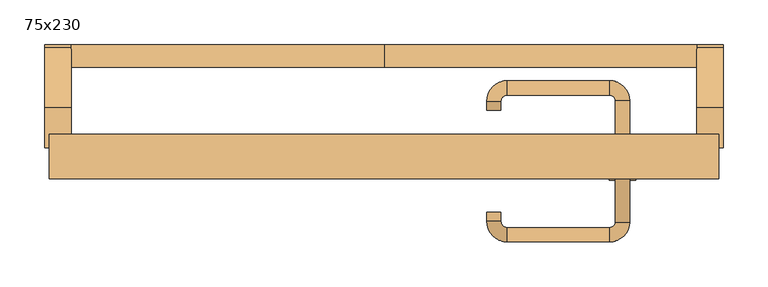
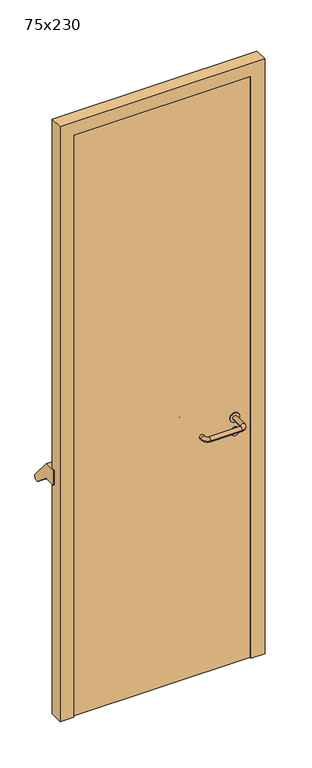
"""IFC4 building model written with IfcOpenShell, lengths in millimetres: door geometry, 75x230."""

import ifcopenshell
import ifcopenshell.guid

model = None  # the IFC model being written
_history = None  # IfcOwnerHistory: only IFC2X3 demands one
_inside = {}  # id of a spatial element -> (the spatial element, [elements in it])
_under = {}  # id of a project, library or spatial element -> (it, [spatial elements below it])
_declared = {}  # id of a project -> (the project, [libraries it declares])
_typed = {}  # id of a type object -> (the type object, [elements of that type])
_made_of = {}  # id of a material, layer set ... -> (it, [elements and type objects made of it])


def new_model(schema):
    """Start an empty IFC model of exactly this schema.

    Asked for "IFC4X3", IfcOpenShell would pick the latest addendum, in which some entities
    have other attributes; the version numbers below select the first issue.
    IFC2X3 requires an IfcOwnerHistory on every rooted entity: one is made here for all.
    """
    global model, _history
    if schema == "IFC4X3":
        model = ifcopenshell.file(schema_version=(4, 3, 0, 0))
    else:
        model = ifcopenshell.file(schema=schema)
    _inside.clear()
    _under.clear()
    _declared.clear()
    _typed.clear()
    _made_of.clear()
    _history = None
    if model.schema == "IFC2X3":
        org = make("IfcOrganization", Name="unknown")
        user = make(
            "IfcPersonAndOrganization",
            ThePerson=make("IfcPerson", FamilyName="unknown"),
            TheOrganization=org,
        )
        app = make(
            "IfcApplication",
            ApplicationDeveloper=org,
            Version="unknown",
            ApplicationFullName="unknown",
            ApplicationIdentifier="unknown",
        )
        _history = make(
            "IfcOwnerHistory",
            OwningUser=user,
            OwningApplication=app,
            ChangeAction="ADDED",
            CreationDate=0,
        )
    return model


def make(cls, **values):
    """One entity of the class cls with the attributes given. An attribute that is None is left unset."""
    return model.create_entity(
        cls, **{name: value for name, value in values.items() if value is not None}
    )


def rooted(cls, **values):
    """An entity with a GlobalId (a new one), such as an element, a storey or a relation."""
    return make(cls, GlobalId=ifcopenshell.guid.new(), OwnerHistory=_history, **values)


def si_unit(unit_type, name, prefix=None):
    """IfcSIUnit, for example si_unit("LENGTHUNIT", "METRE", prefix="MILLI")."""
    return make("IfcSIUnit", UnitType=unit_type, Prefix=prefix, Name=name)


def assignment(units):
    """IfcUnitAssignment: the units of a project."""
    return None if units is None else make("IfcUnitAssignment", Units=units)


def point(xyz):
    """IfcCartesianPoint."""
    return None if xyz is None else make("IfcCartesianPoint", Coordinates=xyz)


def direction(xyz):
    """IfcDirection."""
    return None if xyz is None else make("IfcDirection", DirectionRatios=xyz)


def frame(location, z_axis=None, x_axis=None):
    """IfcAxis2Placement3D, a coordinate frame: its origin and axes. An axis left out is left unset."""
    return make(
        "IfcAxis2Placement3D",
        Location=point(location),
        Axis=direction(z_axis),
        RefDirection=direction(x_axis),
    )


def frame_2d(location, x_axis=None):
    """IfcAxis2Placement2D, a coordinate frame in the plane: its origin and x axis."""
    return make(
        "IfcAxis2Placement2D", Location=point(location), RefDirection=direction(x_axis)
    )


def origin():
    """The frame at (0, 0, 0) with its axes left unset."""
    return frame((0.0, 0.0, 0.0))


def origin_with_axes():
    """The frame at (0, 0, 0) with the z axis (0, 0, 1) and the x axis (1, 0, 0) written out."""
    return frame((0.0, 0.0, 0.0), z_axis=(0.0, 0.0, 1.0), x_axis=(1.0, 0.0, 0.0))


def place(relative_to, where):
    """IfcLocalPlacement: puts the frame where relative to a parent placement (None: the world)."""
    return make(
        "IfcLocalPlacement", PlacementRelTo=relative_to, RelativePlacement=where
    )


def context(
    kind, dimensions, precision=None, world=None, true_north=None, identifier=None
):
    """IfcGeometricRepresentationContext, for example the 3D "Model" context."""
    return make(
        "IfcGeometricRepresentationContext",
        ContextIdentifier=identifier,
        ContextType=kind,
        CoordinateSpaceDimension=dimensions,
        Precision=precision,
        WorldCoordinateSystem=world,
        TrueNorth=true_north,
    )


def project(units=None, contexts=None):
    """IfcProject with its units and contexts."""
    return rooted(
        "IfcProject",
        Name="project",
        RepresentationContexts=contexts,
        UnitsInContext=assignment(units),
    )


def spatial(cls, under=None, at=None, **own):
    """A site, building, storey or space (cls), placed at a placement, below another one or the project."""
    s = rooted(cls, ObjectPlacement=at, **own)
    if under is not None:
        _under.setdefault(under.id(), (under, []))[1].append(s)
    return s


def polyline(points):
    """IfcPolyline through the points."""
    return make("IfcPolyline", Points=[point(p) for p in points])


def circle_curve(where, radius):
    """IfcCircle in the frame where."""
    return make("IfcCircle", Position=where, Radius=radius)


def ellipse_curve(where, semi_axis1, semi_axis2):
    """IfcEllipse in the frame where."""
    return make(
        "IfcEllipse", Position=where, SemiAxis1=semi_axis1, SemiAxis2=semi_axis2
    )


def trimmed(basis, trim1, trim2, sense, master):
    """IfcTrimmedCurve: the piece of a basis curve between two trims."""
    return make(
        "IfcTrimmedCurve",
        BasisCurve=basis,
        Trim1=trim1,
        Trim2=trim2,
        SenseAgreement=sense,
        MasterRepresentation=master,
    )


def segment(curve, same_sense, transition):
    """IfcCompositeCurveSegment."""
    return make(
        "IfcCompositeCurveSegment",
        Transition=transition,
        SameSense=same_sense,
        ParentCurve=curve,
    )


def composite_curve(segments, self_intersect=None):
    """IfcCompositeCurve: segments joined end to end."""
    return make("IfcCompositeCurve", Segments=segments, SelfIntersect=self_intersect)


def outline(outer, holes=None, kind="AREA"):
    """IfcArbitraryClosedProfileDef: a profile drawn as a closed curve; with holes, ...WithVoids."""
    if holes is None:
        return make("IfcArbitraryClosedProfileDef", ProfileType=kind, OuterCurve=outer)
    return make(
        "IfcArbitraryProfileDefWithVoids",
        ProfileType=kind,
        OuterCurve=outer,
        InnerCurves=holes,
    )


def extrude(swept, where, along, depth):
    """IfcExtrudedAreaSolid: the profile swept, set in the frame where, extruded along a direction by depth."""
    return make(
        "IfcExtrudedAreaSolid",
        SweptArea=swept,
        Position=where,
        ExtrudedDirection=direction(along),
        Depth=depth,
    )


def shape(context_of_items, identifier, shape_type, items):
    """IfcShapeRepresentation: the items that make up one representation, for example the "Body"."""
    return make(
        "IfcShapeRepresentation",
        ContextOfItems=context_of_items,
        RepresentationIdentifier=identifier,
        RepresentationType=shape_type,
        Items=items,
    )


def source(mapping_origin, context_of_items, identifier, shape_type, items):
    """IfcRepresentationMap: a shape defined once, which mapped items show again and again."""
    return make(
        "IfcRepresentationMap",
        MappingOrigin=mapping_origin,
        MappedRepresentation=shape(context_of_items, identifier, shape_type, items),
    )


def transform(
    local_origin,
    x_axis=None,
    y_axis=None,
    z_axis=None,
    scale=None,
    scale2=None,
    scale3=None,
    uniform=True,
):
    """IfcCartesianTransformationOperator3D, or its non-uniform kind. x_axis, y_axis, z_axis: its Axis1, 2, 3."""
    if uniform:
        return make(
            "IfcCartesianTransformationOperator3D",
            Axis1=direction(x_axis),
            Axis2=direction(y_axis),
            LocalOrigin=point(local_origin),
            Scale=scale,
            Axis3=direction(z_axis),
        )
    return make(
        "IfcCartesianTransformationOperator3DnonUniform",
        Axis1=direction(x_axis),
        Axis2=direction(y_axis),
        LocalOrigin=point(local_origin),
        Scale=scale,
        Axis3=direction(z_axis),
        Scale2=scale2,
        Scale3=scale3,
    )


def mapped(mapping_source, mapping_target):
    """IfcMappedItem: shows the shape of a source again, moved by a transform."""
    return make(
        "IfcMappedItem", MappingSource=mapping_source, MappingTarget=mapping_target
    )


def made_of(thing, what):
    """Note that an element or type object is made of a material, layer set ...; save() writes the relation."""
    if what is not None:
        _made_of.setdefault(what.id(), (what, []))[1].append(thing)
    return thing


def element(
    cls,
    number,
    at=None,
    inside=None,
    cuts=None,
    type_object=None,
    material=None,
    context=None,
    identifier="Body",
    shape_type=None,
    held_by="IfcProductDefinitionShape",
    body=None,
    shapes=None,
    **own,
):
    """One element of the class cls, such as IfcWall. Its Tag is "e" and its number.

    at: its placement. inside: the storey or other place that contains it. cuts: it is an
    opening in that element (IfcRelVoidsElement). A single representation is given by context,
    identifier, shape_type and body (its items); several are given by shapes. held_by: the class
    of the entity that holds the representations. save() writes the other relations.
    """
    e = rooted(cls, Tag="e%d" % number, ObjectPlacement=at, **own)
    if body is not None:
        shapes = [shape(context, identifier, shape_type, body)]
    if shapes is not None:
        e.Representation = make(held_by, Representations=shapes)
    if inside is not None:
        _inside.setdefault(inside.id(), (inside, []))[1].append(e)
    if cuts is not None:
        rooted(
            "IfcRelVoidsElement", RelatingBuildingElement=cuts, RelatedOpeningElement=e
        )
    if type_object is not None:
        _typed.setdefault(type_object.id(), (type_object, []))[1].append(e)
    return made_of(e, material)


def aggregate(whole, parts):
    """IfcRelAggregates: a whole, such as a stair, and the parts it consists of."""
    return rooted("IfcRelAggregates", RelatingObject=whole, RelatedObjects=parts)


def save(model, path):
    """Write the relations noted so far, then the file.

    IfcRelAggregates (storeys below a building ...), IfcRelContainedInSpatialStructure (elements
    in a storey), IfcRelDefinesByType, IfcRelAssociatesMaterial and IfcRelDeclares: one each for
    every whole, place, type object, material and project.
    """
    for whole, parts in _under.values():
        aggregate(whole, parts)
    for where, things in _inside.values():
        rooted(
            "IfcRelContainedInSpatialStructure",
            RelatedElements=things,
            RelatingStructure=where,
        )
    for kind, things in _typed.values():
        rooted("IfcRelDefinesByType", RelatedObjects=things, RelatingType=kind)
    for what, things in _made_of.values():
        rooted("IfcRelAssociatesMaterial", RelatedObjects=things, RelatingMaterial=what)
    for by, libraries in _declared.values():
        rooted("IfcRelDeclares", RelatingContext=by, RelatedDefinitions=libraries)
    model.write(path)


def plane_surface(at):
    """IfcPlane: the flat surface through the origin of the frame at, square to its z axis."""
    return make("IfcPlane", Position=at)


def cylinder_surface(at, radius):
    """IfcCylindricalSurface: all points at the distance radius from the z axis of the frame at."""
    return make("IfcCylindricalSurface", Position=at, Radius=radius)


def revolved_surface(curve, axis_point, axis_direction):
    """IfcSurfaceOfRevolution: the curve turned about the line through axis_point along axis_direction."""
    return make(
        "IfcSurfaceOfRevolution",
        SweptCurve=make("IfcArbitraryOpenProfileDef", ProfileType="CURVE", Curve=curve),
        AxisPosition=make("IfcAxis1Placement", Location=point(axis_point), Axis=direction(axis_direction)),
    )


def advanced_brep(points, edges, surfaces, faces):
    """IfcAdvancedBrep: a solid bounded by faces that lie on surfaces and meet in shared edges.

    An edge is (start, end): straight between two places in points (the first is 0);
    or (start, end, curve); or (start, end, curve, False) where it runs against its curve.
    A face is (place in surfaces, loops), or (place, loops, False) where it looks against
    its surface's normal. A loop lists edges by number (the first is 1), with a minus sign
    where the edge is run from its end to its start. The first loop is the outer one.
    """
    corners = [point(p) for p in points]
    vertices = [make("IfcVertexPoint", VertexGeometry=c) for c in corners]
    made = []
    for start, end, *more in edges:
        made.append(
            make(
                "IfcEdgeCurve",
                EdgeStart=vertices[start],
                EdgeEnd=vertices[end],
                EdgeGeometry=more[0] if more else make("IfcPolyline", Points=[corners[start], corners[end]]),
                SameSense=more[1] if len(more) > 1 else True,
            )
        )
    hull = []
    for where, loops, *sense in faces:
        bounds = []
        for j, loop in enumerate(loops):
            ring = [make("IfcOrientedEdge", EdgeElement=made[abs(k) - 1], Orientation=k > 0) for k in loop]
            bounds.append(
                make(
                    "IfcFaceOuterBound" if j == 0 else "IfcFaceBound",
                    Bound=make("IfcEdgeLoop", EdgeList=ring),
                    Orientation=True,
                )
            )
        hull.append(make("IfcAdvancedFace", Bounds=bounds, FaceSurface=surfaces[where], SameSense=sense[0] if sense else True))
    return make("IfcAdvancedBrep", Outer=make("IfcClosedShell", CfsFaces=hull))


def door_75x230_7e1fac81(model_context):
    return source(origin(), model_context, "Body", "SolidModel", [
        advanced_brep(
        [(-350.0, 75.4171435, 861.5304884), (-350.0, 100.4171435, 861.5304884), (0.0, 100.4171435, 861.5304884), (0.0, 75.4171435, 861.5304884), (350.0, 75.4171435, 861.5304884), (350.0, 100.4171435, 861.5304884)],
        [
            (0, 1, circle_curve(frame((-350.0, 87.9171435, 861.5304884), z_axis=(-1.0, 0.0, 0.0), x_axis=(0.0, 1.0, 0.0)), 12.5)),
            (1, 0, circle_curve(frame((-350.0, 87.9171435, 861.5304884), z_axis=(-1.0, 0.0, 0.0), x_axis=(0.0, 1.0, 0.0)), 12.5)),
            (1, 2),
            (2, 3, circle_curve(frame((0.0, 87.9171435, 861.5304884), z_axis=(-1.0, 0.0, 0.0), x_axis=(0.0, 1.0, 0.0)), 12.5)),
            (3, 0),
            (3, 2, circle_curve(frame((0.0, 87.9171435, 861.5304884), z_axis=(-1.0, 0.0, 0.0), x_axis=(0.0, 1.0, 0.0)), 12.5)),
            (4, 5, circle_curve(frame((350.0, 87.9171435, 861.5304884), z_axis=(1.0, 0.0, 0.0), x_axis=(0.0, 1.0, 0.0)), 12.5)),
            (5, 4, circle_curve(frame((350.0, 87.9171435, 861.5304884), z_axis=(1.0, 0.0, 0.0), x_axis=(0.0, 1.0, 0.0)), 12.5)),
            (4, 3),
            (2, 5),
        ],
        [
            plane_surface(frame((-350.0, 100.4171435, 861.5304884), z_axis=(-1.0, 0.0, 0.0), x_axis=(0.0, 0.0, -1.0))),
            cylinder_surface(frame((-350.0, 87.9171435, 861.5304884), z_axis=(1.0, 0.0, 0.0), x_axis=(0.0, 1.0, 0.0)), 12.5),
            plane_surface(frame((350.0, 100.4171435, 861.5304884), z_axis=(1.0, 0.0, 0.0), x_axis=(0.0, 0.0, 1.0))),
            cylinder_surface(frame((0.0, 87.9171435, 861.5304884), z_axis=(1.0, 0.0, 0.0), x_axis=(0.0, 1.0, 0.0)), 12.5),
        ],
        [
            (0, [[1, 2]]),
            (1, [[-2, 3, 4, 5]]),
            (1, [[-1, -5, 6, -3]]),
            (2, [[7, 8]]),
            (3, [[-7, 9, -4, 10]]),
            (3, [[-8, -10, -6, -9]]),
        ],
    ),
        extrude(outline(composite_curve([segment(polyline([(30.0, 950.0), (97.492699, 869.5653335)]), True, "CONTINUOUS"), segment(trimmed(circle_curve(frame_2d((87.9171435, 861.5304884)), 12.5), [point((97.492699, 869.5653335))], [point((78.3415879, 853.4956432))], False, "CARTESIAN"), True, "CONTINUOUS"), segment(polyline([(78.3415879, 853.4956432), (28.5486991, 895.2768379), (-15.0, 895.2768379), (-15.0, 950.0), (30.0, 950.0)]), True, "CONTINUOUS")], self_intersect=False)), frame((-380.0, 0.0, 0.0), z_axis=(1.0, 0.0, 0.0), x_axis=(0.0, 1.0, 0.0)), (0.0, 0.0, 1.0), 30.0),
        extrude(outline(composite_curve([segment(polyline([(30.0, 950.0), (97.492699, 869.5653335)]), True, "CONTINUOUS"), segment(trimmed(circle_curve(frame_2d((87.9171435, 861.5304884)), 12.5), [point((97.492699, 869.5653335))], [point((78.3415879, 853.4956432))], False, "CARTESIAN"), True, "CONTINUOUS"), segment(polyline([(78.3415879, 853.4956432), (28.5486991, 895.2768379), (-15.0, 895.2768379), (-15.0, 950.0), (30.0, 950.0)]), True, "CONTINUOUS")], self_intersect=False)), frame((350.0, 0.0, 0.0), z_axis=(1.0, 0.0, 0.0), x_axis=(0.0, 1.0, 0.0)), (0.0, 0.0, 1.0), 30.0),
        extrude(outline(composite_curve([segment(trimmed(circle_curve(frame_2d((897.3605726, 267.0)), 15.0), [point((897.3605726, 282.0))], [point((897.3605726, 252.0))], False, "CARTESIAN"), True, "CONTINUOUS"), segment(trimmed(circle_curve(frame_2d((897.3605726, 267.0)), 15.0), [point((897.3605726, 252.0))], [point((897.3605726, 282.0))], False, "CARTESIAN"), True, "CONTINUOUS")], self_intersect=False), holes=[composite_curve([segment(trimmed(circle_curve(frame_2d((892.5833211, 266.9398032)), 2.0), [point((892.5833211, 268.9398032))], [point((892.5833211, 264.9398032))], True, "CARTESIAN"), True, "CONTINUOUS"), segment(polyline([(892.5833211, 264.9398032), (902.5833211, 264.9398032)]), True, "CONTINUOUS"), segment(trimmed(circle_curve(frame_2d((902.5833211, 266.9398032)), 2.0), [point((902.5833211, 264.9398032))], [point((902.5833211, 268.9398032))], True, "CARTESIAN"), True, "CONTINUOUS"), segment(polyline([(902.5833211, 268.9398032), (892.5833211, 268.9398032)]), True, "CONTINUOUS")], self_intersect=False)]), frame((0.0, -15.0, 0.0), z_axis=(0.0, 1.0, 0.0), x_axis=(0.0, 0.0, 1.0)), (0.0, 0.0, 1.0), 6.35),
        extrude(outline(composite_curve([segment(trimmed(circle_curve(frame_2d((950.0, 267.0)), 17.526), [point((950.0, 284.526))], [point((950.0, 249.474))], False, "CARTESIAN"), True, "CONTINUOUS"), segment(trimmed(circle_curve(frame_2d((950.0, 267.0)), 17.526), [point((950.0, 249.474))], [point((950.0, 284.526))], False, "CARTESIAN"), True, "CONTINUOUS")], self_intersect=False)), frame((0.0, -15.0, 0.0), z_axis=(0.0, 1.0, 0.0), x_axis=(0.0, 0.0, 1.0)), (0.0, 0.0, 1.0), 3.175),
        advanced_brep(
        [(275.0, -15.0, 950.0), (259.0, -15.0, 950.0), (275.0, 38.0, 950.0), (259.0, 38.0, 950.0), (252.8578644, 44.1421356, 950.0), (252.8578644, 60.1421356, 950.0), (137.8578644, 60.1421356, 950.0), (137.8578644, 44.1421356, 950.0), (131.008622, 37.2928932, 950.0), (115.008622, 37.2928932, 950.0), (115.008622, 27.2928932, 950.0), (131.008622, 27.2928932, 950.0)],
        [
            (0, 1, circle_curve(frame((267.0, -15.0, 950.0), z_axis=(0.0, -1.0, 0.0), x_axis=(-1.0, 0.0, 0.0)), 8.0)),
            (1, 0, circle_curve(frame((267.0, -15.0, 950.0), z_axis=(0.0, -1.0, 0.0), x_axis=(-1.0, 0.0, 0.0)), 8.0)),
            (0, 2),
            (2, 3, circle_curve(frame((267.0, 38.0, 950.0), z_axis=(0.0, -1.0, 0.0), x_axis=(-1.0, 0.0, 0.0)), 8.0)),
            (3, 1),
            (3, 2, circle_curve(frame((267.0, 38.0, 950.0), z_axis=(0.0, -1.0, 0.0), x_axis=(-1.0, 0.0, 0.0)), 8.0)),
            (4, 3, circle_curve(frame((252.8578644, 38.0, 950.0), z_axis=(0.0, 0.0, -1.0), x_axis=(1.0, 0.0, 0.0)), 6.1421356)),
            (2, 5, circle_curve(frame((252.8578644, 38.0, 950.0), z_axis=(0.0, 0.0, 1.0), x_axis=(1.0, 0.0, 0.0)), 22.1421356)),
            (5, 4, circle_curve(frame((252.8578644, 52.1421356, 950.0), z_axis=(1.0, 0.0, 0.0), x_axis=(0.0, -1.0, 0.0)), 8.0)),
            (4, 5, circle_curve(frame((252.8578644, 52.1421356, 950.0), z_axis=(1.0, 0.0, 0.0), x_axis=(0.0, -1.0, 0.0)), 8.0)),
            (5, 6),
            (6, 7, circle_curve(frame((137.8578644, 52.1421356, 950.0), z_axis=(1.0, 0.0, 0.0), x_axis=(0.0, -1.0, 0.0)), 8.0)),
            (7, 4),
            (7, 6, circle_curve(frame((137.8578644, 52.1421356, 950.0), z_axis=(1.0, 0.0, 0.0), x_axis=(0.0, -1.0, 0.0)), 8.0)),
            (8, 7, circle_curve(frame((137.8578644, 37.2928932, 950.0), z_axis=(0.0, 0.0, -1.0), x_axis=(0.0, 1.0, 0.0)), 6.8492424)),
            (6, 9, circle_curve(frame((137.8578644, 37.2928932, 950.0), z_axis=(0.0, 0.0, 1.0), x_axis=(0.0, 1.0, 0.0)), 22.8492424)),
            (9, 8, circle_curve(frame((123.008622, 37.2928932, 950.0), z_axis=(0.0, 1.0, 0.0), x_axis=(1.0, 0.0, 0.0)), 8.0)),
            (8, 9, circle_curve(frame((123.008622, 37.2928932, 950.0), z_axis=(0.0, 1.0, 0.0), x_axis=(1.0, 0.0, 0.0)), 8.0)),
            (10, 11, circle_curve(frame((123.008622, 27.2928932, 950.0), z_axis=(0.0, -1.0, 0.0), x_axis=(1.0, 0.0, 0.0)), 8.0)),
            (11, 10, circle_curve(frame((123.008622, 27.2928932, 950.0), z_axis=(0.0, -1.0, 0.0), x_axis=(1.0, 0.0, 0.0)), 8.0)),
            (9, 10),
            (11, 8),
        ],
        [
            plane_surface(frame((267.0, -15.0, 170.0), z_axis=(0.0, -1.0, 0.0), x_axis=(0.0, 0.0, 1.0))),
            cylinder_surface(frame((267.0, -15.0, 950.0), z_axis=(0.0, -1.0, 0.0), x_axis=(-1.0, 0.0, 0.0)), 8.0),
            revolved_surface(trimmed(ellipse_curve(frame((267.0, 38.0, 950.0), z_axis=(0.0, -1.0, 0.0), x_axis=(-1.0, 0.0, 0.0)), 8.0, 8.0), [point((275.0, 38.0, 950.0))], [point((259.0, 38.0, 950.0))], True, "CARTESIAN"), (252.8578644, 38.0, 170.0), (0.0, 0.0, 1.0)),
            revolved_surface(trimmed(ellipse_curve(frame((267.0, 38.0, 950.0), z_axis=(0.0, -1.0, 0.0), x_axis=(-1.0, 0.0, 0.0)), 8.0, 8.0), [point((259.0, 38.0, 950.0))], [point((275.0, 38.0, 950.0))], True, "CARTESIAN"), (252.8578644, 38.0, 170.0), (0.0, 0.0, 1.0)),
            cylinder_surface(frame((252.8578644, 52.1421356, 950.0), z_axis=(1.0, 0.0, 0.0), x_axis=(0.0, -1.0, 0.0)), 8.0),
            revolved_surface(trimmed(ellipse_curve(frame((137.8578644, 52.1421356, 950.0), z_axis=(1.0, 0.0, 0.0), x_axis=(0.0, -1.0, 0.0)), 8.0, 8.0), [point((137.8578644, 60.1421356, 950.0))], [point((137.8578644, 44.1421356, 950.0))], True, "CARTESIAN"), (137.8578644, 37.2928932, 170.0), (0.0, 0.0, 1.0)),
            revolved_surface(trimmed(ellipse_curve(frame((137.8578644, 52.1421356, 950.0), z_axis=(1.0, 0.0, 0.0), x_axis=(0.0, -1.0, 0.0)), 8.0, 8.0), [point((137.8578644, 44.1421356, 950.0))], [point((137.8578644, 60.1421356, 950.0))], True, "CARTESIAN"), (137.8578644, 37.2928932, 170.0), (0.0, 0.0, 1.0)),
            plane_surface(frame((123.008622, 27.2928932, 170.0), z_axis=(0.0, -1.0, 0.0), x_axis=(0.0, 0.0, 1.0))),
            cylinder_surface(frame((123.008622, 37.2928932, 950.0), z_axis=(0.0, 1.0, 0.0), x_axis=(1.0, 0.0, 0.0)), 8.0),
        ],
        [
            (0, [[1, 2]]),
            (1, [[-1, 3, 4, 5]]),
            (1, [[-2, -5, 6, -3]]),
            (2, [[7, -4, 8, 9]]),
            (3, [[-8, -6, -7, 10]]),
            (4, [[-9, 11, 12, 13]]),
            (4, [[-10, -13, 14, -11]]),
            (5, [[15, -12, 16, 17]]),
            (6, [[-16, -14, -15, 18]]),
            (7, [[19, 20]]),
            (8, [[-17, 21, -20, 22]]),
            (8, [[-18, -22, -19, -21]]),
        ],
    ),
        extrude(outline(composite_curve([segment(trimmed(circle_curve(frame_2d((0.0, 15.0)), 15.0), [point((0.0, 30.0))], [point((0.0, 0.0))], False, "CARTESIAN"), True, "CONTINUOUS"), segment(trimmed(circle_curve(frame_2d((0.0, 15.0)), 15.0), [point((0.0, 0.0))], [point((0.0, 30.0))], False, "CARTESIAN"), True, "CONTINUOUS")], self_intersect=False), holes=[composite_curve([segment(trimmed(circle_curve(frame_2d((-4.7772515, 14.9398032)), 2.0), [point((-4.7772515, 16.9398032))], [point((-4.7772515, 12.9398032))], True, "CARTESIAN"), True, "CONTINUOUS"), segment(polyline([(-4.7772515, 12.9398032), (5.2227485, 12.9398032)]), True, "CONTINUOUS"), segment(trimmed(circle_curve(frame_2d((5.2227485, 14.9398032)), 2.0), [point((5.2227485, 12.9398032))], [point((5.2227485, 16.9398032))], True, "CARTESIAN"), True, "CONTINUOUS"), segment(polyline([(5.2227485, 16.9398032), (-4.7772515, 16.9398032)]), True, "CONTINUOUS")], self_intersect=False)]), frame((252.0, -51.35, 897.3605726), z_axis=(-1.8870575173328306e-12, 1.0, 0.0), x_axis=(0.0, 0.0, 1.0)), (0.0, 0.0, 1.0), 6.35),
        extrude(outline(composite_curve([segment(trimmed(circle_curve(frame_2d((0.0, 17.526)), 17.526), [point((0.0, 35.052))], [point((0.0, 0.0))], False, "CARTESIAN"), True, "CONTINUOUS"), segment(trimmed(circle_curve(frame_2d((0.0, 17.526)), 17.526), [point((0.0, 0.0))], [point((0.0, 35.052))], False, "CARTESIAN"), True, "CONTINUOUS")], self_intersect=False)), frame((249.474, -48.175, 950.0), z_axis=(-1.8870575173328306e-12, 1.0, 0.0), x_axis=(0.0, 0.0, 1.0)), (0.0, 0.0, 1.0), 3.175),
        advanced_brep(
        [(275.0, -45.0, 950.0), (259.0, -45.0, 950.0), (259.0, -98.0, 950.0), (275.0, -98.0, 950.0), (252.8578644, -104.1421356, 950.0), (252.8578644, -120.1421356, 950.0), (137.8578644, -104.1421356, 950.0), (137.8578644, -120.1421356, 950.0), (131.008622, -97.2928932, 950.0), (115.008622, -97.2928932, 950.0), (115.008622, -87.2928932, 950.0), (131.008622, -87.2928932, 950.0)],
        [
            (0, 1, circle_curve(frame((267.0, -45.0, 950.0), z_axis=(-1.888672253512351e-12, 1.0, 0.0), x_axis=(-1.0, -1.888672253512351e-12, 0.0)), 8.0)),
            (1, 0, circle_curve(frame((267.0, -45.0, 950.0), z_axis=(-1.888672253512351e-12, 1.0, 0.0), x_axis=(-1.0, -1.888672253512351e-12, 0.0)), 8.0)),
            (1, 2),
            (2, 3, circle_curve(frame((267.0, -98.0, 950.0), z_axis=(-1.888672253512351e-12, 1.0, 0.0), x_axis=(-1.0, -1.888672253512351e-12, 0.0)), 8.0)),
            (3, 0),
            (3, 2, circle_curve(frame((267.0, -98.0, 950.0), z_axis=(-1.888672253512351e-12, 1.0, 0.0), x_axis=(-1.0, -1.888672253512351e-12, 0.0)), 8.0)),
            (4, 5, circle_curve(frame((252.8578644, -112.1421356, 950.0), z_axis=(1.0, 1.913702061528922e-12, 0.0), x_axis=(-1.913702061528922e-12, 1.0, 0.0)), 8.0)),
            (5, 3, circle_curve(frame((252.8578644, -98.0, 950.0), z_axis=(0.0, 0.0, 1.0), x_axis=(1.0, 1.880717803715015e-12, 0.0)), 22.1421356)),
            (2, 4, circle_curve(frame((252.8578644, -98.0, 950.0), z_axis=(0.0, 0.0, -1.0), x_axis=(1.0, 1.880717803715015e-12, 0.0)), 6.1421356)),
            (5, 4, circle_curve(frame((252.8578644, -112.1421356, 950.0), z_axis=(1.0, 1.913702061528922e-12, 0.0), x_axis=(-1.913702061528922e-12, 1.0, 0.0)), 8.0)),
            (4, 6),
            (6, 7, circle_curve(frame((137.8578644, -112.1421356, 950.0), z_axis=(1.0, 1.913719828541269e-12, 0.0), x_axis=(-1.913719828541269e-12, 1.0, 0.0)), 8.0)),
            (7, 5),
            (7, 6, circle_curve(frame((137.8578644, -112.1421356, 950.0), z_axis=(1.0, 1.913719828541269e-12, 0.0), x_axis=(-1.913719828541269e-12, 1.0, 0.0)), 8.0)),
            (8, 9, circle_curve(frame((123.008622, -97.2928932, 950.0), z_axis=(1.890226565746826e-12, -1.0, 0.0), x_axis=(1.0, 1.890226565746826e-12, 0.0)), 8.0)),
            (9, 7, circle_curve(frame((137.8578644, -97.2928932, 950.0), z_axis=(0.0, 0.0, 1.0), x_axis=(1.9120873253494017e-12, -1.0, 0.0)), 22.8492424)),
            (6, 8, circle_curve(frame((137.8578644, -97.2928932, 950.0), z_axis=(0.0, 0.0, -1.0), x_axis=(1.9120873253494017e-12, -1.0, 0.0)), 6.8492424)),
            (9, 8, circle_curve(frame((123.008622, -97.2928932, 950.0), z_axis=(1.890670654956676e-12, -1.0, 0.0), x_axis=(1.0, 1.890670654956676e-12, 0.0)), 8.0)),
            (10, 11, circle_curve(frame((123.008622, -87.2928932, 950.0), z_axis=(-1.8903642334018795e-12, 1.0, 0.0), x_axis=(1.0, 1.8903642334018795e-12, 0.0)), 8.0)),
            (11, 10, circle_curve(frame((123.008622, -87.2928932, 950.0), z_axis=(-1.8903642334018795e-12, 1.0, 0.0), x_axis=(1.0, 1.8903642334018795e-12, 0.0)), 8.0)),
            (8, 11),
            (10, 9),
        ],
        [
            plane_surface(frame((267.0, -45.0, 170.0), z_axis=(-1.8870575173328306e-12, 1.0, 0.0), x_axis=(0.0, 0.0, 1.0))),
            cylinder_surface(frame((267.0, -45.0, 950.0), z_axis=(-1.888672253512351e-12, 1.0, 0.0), x_axis=(-1.0, -1.888672253512351e-12, 0.0)), 8.0),
            revolved_surface(trimmed(ellipse_curve(frame((267.0, -98.0, 950.0), z_axis=(1.8823325398945356e-12, -1.0, 0.0), x_axis=(-1.0, -1.8823325398945356e-12, 0.0)), 8.0, 8.0), [point((275.0, -98.0, 950.0))], [point((259.0, -98.0, 950.0))], True, "CARTESIAN"), (252.8578644, -98.0, 170.0), (0.0, 0.0, 1.0)),
            revolved_surface(trimmed(ellipse_curve(frame((267.0, -98.0, 950.0), z_axis=(1.8823325398945356e-12, -1.0, 0.0), x_axis=(-1.0, -1.8823325398945356e-12, 0.0)), 8.0, 8.0), [point((259.0, -98.0, 950.0))], [point((275.0, -98.0, 950.0))], True, "CARTESIAN"), (252.8578644, -98.0, 170.0), (0.0, 0.0, 1.0)),
            cylinder_surface(frame((252.8578644, -112.1421356, 950.0), z_axis=(1.0, 1.913719828541269e-12, 0.0), x_axis=(-1.913719828541269e-12, 1.0, 0.0)), 8.0),
            revolved_surface(trimmed(ellipse_curve(frame((137.8578644, -112.1421356, 950.0), z_axis=(-1.0, -1.913702061528922e-12, 0.0), x_axis=(-1.913702061528922e-12, 1.0, 0.0)), 8.0, 8.0), [point((137.8578644, -120.1421356, 950.0))], [point((137.8578644, -104.1421356, 950.0))], True, "CARTESIAN"), (137.8578644, -97.2928932, 170.0), (0.0, 0.0, 1.0)),
            revolved_surface(trimmed(ellipse_curve(frame((137.8578644, -112.1421356, 950.0), z_axis=(-1.0, -1.913702061528922e-12, 0.0), x_axis=(-1.913702061528922e-12, 1.0, 0.0)), 8.0, 8.0), [point((137.8578644, -104.1421356, 950.0))], [point((137.8578644, -120.1421356, 950.0))], True, "CARTESIAN"), (137.8578644, -97.2928932, 170.0), (0.0, 0.0, 1.0)),
            plane_surface(frame((123.008622, -87.2928932, 170.0), z_axis=(-1.8887494972223595e-12, 1.0, 0.0), x_axis=(0.0, 0.0, 1.0))),
            cylinder_surface(frame((123.008622, -97.2928932, 950.0), z_axis=(1.8903642334018795e-12, -1.0, 0.0), x_axis=(1.0, 1.8903642334018795e-12, 0.0)), 8.0),
        ],
        [
            (0, [[1, 2]]),
            (1, [[3, 4, 5, -2]]),
            (1, [[-5, 6, -3, -1]]),
            (2, [[7, 8, -4, 9]]),
            (3, [[10, -9, -6, -8]]),
            (4, [[11, 12, 13, -7]]),
            (4, [[-13, 14, -11, -10]]),
            (5, [[15, 16, -12, 17]]),
            (6, [[18, -17, -14, -16]]),
            (7, [[19, 20]]),
            (8, [[21, -19, 22, -15]]),
            (8, [[-22, -20, -21, -18]]),
        ],
    ),
        extrude(outline(polyline([(2250.0, 325.0), (0.0, 325.0), (0.0, 375.0), (2300.0, 375.0), (2300.0, -375.0), (0.0, -375.0), (0.0, -325.0), (2250.0, -325.0), (2250.0, 325.0)])), frame((0.0, -50.0, 0.0), z_axis=(0.0, 1.0, 0.0), x_axis=(0.0, 0.0, 1.0)), (0.0, 0.0, 1.0), 50.0),
        extrude(outline(polyline([(-325.0, -45.0), (-325.0, -15.0), (325.0, -15.0), (325.0, -45.0), (-325.0, -45.0)])), origin_with_axes(), (0.0, 0.0, 1.0), 2250.0),
    ])


if __name__ == "__main__":
    model = new_model("IFC4")
    model_context = context("Model", 3, world=origin())
    ifc_project = project(units=[si_unit("LENGTHUNIT", "METRE", prefix="MILLI")], contexts=[model_context])
    site = spatial("IfcSite", under=ifc_project)
    building = spatial("IfcBuilding", under=site)
    placement = place(None, origin())
    door_75x230_shape = door_75x230_7e1fac81(model_context)
    element("IfcDoor", 1, ObjectType="75x230", at=placement, inside=building, context=model_context, shape_type="MappedRepresentation", body=[
        mapped(door_75x230_shape, transform((0.0, 0.0, 0.0), x_axis=(1.0, 0.0, 0.0), y_axis=(0.0, 1.0, 0.0), z_axis=(0.0, 0.0, 1.0))),
    ])
    save(model, "model.ifc")
